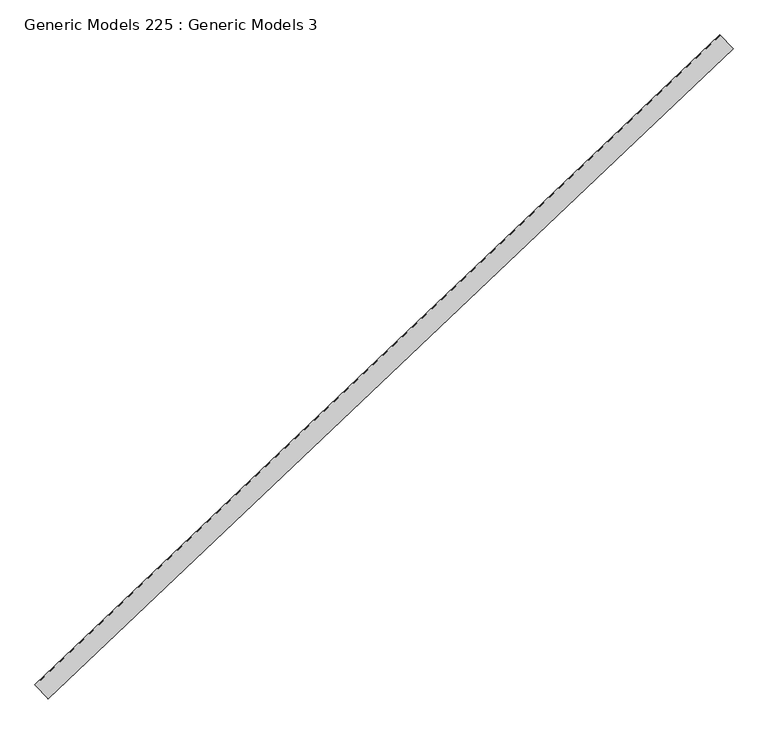
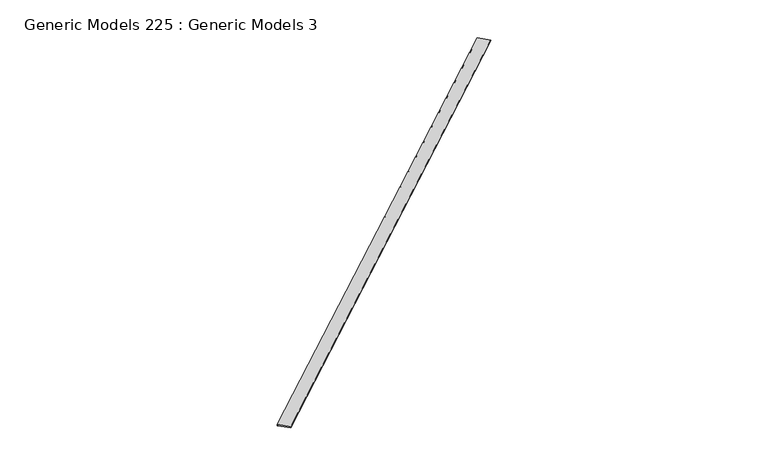
"""IFC4 building model written with IfcOpenShell, lengths in millimetres: proxy geometry, Generic Models 225 : Generic Models 3."""

from ifc_helpers import new_model, si_unit, point, frame, frame_2d, origin, place, context, project, spatial, polyline, circle_curve, trimmed, segment, composite_curve, outline, extrude, source, transform, mapped, element, save


def generic_models_225_generic_models_3_35b721a1(model_context):
    return source(origin(), model_context, "Body", "SweptSolid", [
        extrude(outline(composite_curve([segment(polyline([(-4.5640625, 10.7649556), (-2.6738468, 101.4953069)]), True, "CONTINUOUS"), segment(trimmed(circle_curve(frame_2d((0.0, 107.2549113)), 6.35), [point((-2.6738468, 101.4953069))], [point((4.5640625, 102.8399556))], True, "CARTESIAN"), True, "CONTINUOUS"), segment(polyline([(4.5640625, 102.8399556), (4.5640625, 10.7649556)]), True, "CONTINUOUS"), segment(trimmed(circle_curve(frame_2d((0.0, 6.3499999)), 6.35), [point((4.5640625, 10.7649556))], [point((-4.5640625, 10.7649556))], True, "CARTESIAN"), True, "CONTINUOUS")], self_intersect=False)), frame((99799.7213081, 57260.5539898, 16543.4036458), z_axis=(0.7253743710122986, 0.6883545756937424, 0.0), x_axis=(0.0, 0.0, 1.0)), (0.0, 0.0, 1.0), 4530.725),
    ])


if __name__ == "__main__":
    model = new_model("IFC4")
    model_context = context("Model", 3, world=origin())
    ifc_project = project(units=[si_unit("LENGTHUNIT", "METRE", prefix="MILLI")], contexts=[model_context])
    site = spatial("IfcSite", under=ifc_project)
    building = spatial("IfcBuilding", under=site)
    placement = place(None, origin())
    generic_models_225_generic_models_3_shape = generic_models_225_generic_models_3_35b721a1(model_context)
    element("IfcBuildingElementProxy", 1, Name="Generic Models 225 : Generic Models 3", ObjectType="Generic Models 225 : Generic Models 3", at=placement, inside=building, context=model_context, shape_type="MappedRepresentation", body=[
        mapped(generic_models_225_generic_models_3_shape, transform((0.0, 0.0, 0.0), x_axis=(1.0, 0.0, 0.0), y_axis=(0.0, 1.0, 0.0), z_axis=(0.0, 0.0, 1.0))),
    ])
    save(model, "model.ifc")
